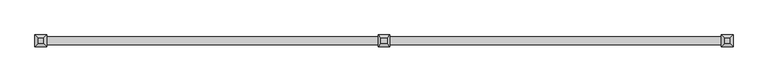
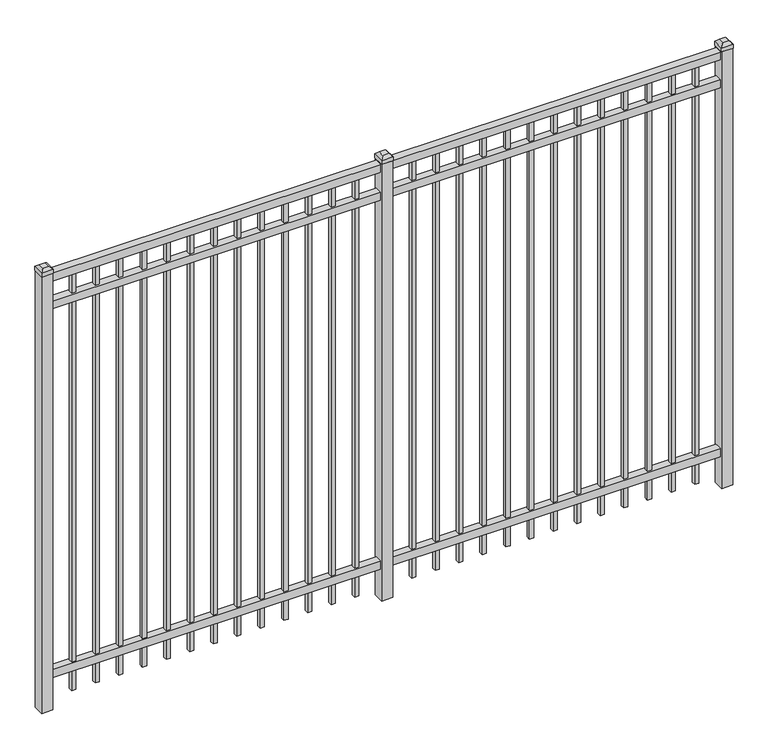
"""IFC4 building model written with IfcOpenShell, lengths in millimetres: railing geometry."""

from ifc_helpers import new_model, si_unit, frame, origin, origin_with_axes, place, context, project, spatial, polyline, outline, extrude, faceted_brep, source, transform, mapped, element, save


def railing_877c4109(model_context):
    return source(origin(), model_context, "Body", "SolidModel", [
        extrude(outline(polyline([(-61345.318087, -652.7195174), (-61345.318087, -617.7945174), (-58195.718087, -617.7945174), (-58195.718087, -652.7195174), (-61345.318087, -652.7195174)])), frame((0.0, 0.0, 2095.5), z_axis=(0.0, 0.0, 1.0), x_axis=(1.0, 0.0, 0.0)), (0.0, 0.0, 1.0), 38.1),
        extrude(outline(polyline([(-61345.318087, -652.7195174), (-61345.318087, -617.7945174), (-58195.718087, -617.7945174), (-58195.718087, -652.7195174), (-61345.318087, -652.7195174)])), frame((0.0, 0.0, 1958.975), z_axis=(0.0, 0.0, 1.0), x_axis=(1.0, 0.0, 0.0)), (0.0, 0.0, 1.0), 38.1),
        extrude(outline(polyline([(-61345.318087, -652.7195174), (-61345.318087, -617.7945174), (-58195.718087, -617.7945174), (-58195.718087, -652.7195174), (-61345.318087, -652.7195174)])), frame((0.0, 0.0, 152.4), z_axis=(0.0, 0.0, 1.0), x_axis=(1.0, 0.0, 0.0)), (0.0, 0.0, 1.0), 38.1),
        extrude(outline(polyline([(-58427.2285036, -625.7320174), (-58427.2285036, -644.7820174), (-58446.2785036, -644.7820174), (-58446.2785036, -625.7320174), (-58427.2285036, -625.7320174)])), frame((0.0, 0.0, 50.8), z_axis=(0.0, 0.0, 1.0), x_axis=(1.0, 0.0, 0.0)), (0.0, 0.0, 1.0), 2044.7),
        extrude(outline(polyline([(-58536.5014203, -625.7320174), (-58536.5014203, -644.7820174), (-58555.5514203, -644.7820174), (-58555.5514203, -625.7320174), (-58536.5014203, -625.7320174)])), frame((0.0, 0.0, 50.8), z_axis=(0.0, 0.0, 1.0), x_axis=(1.0, 0.0, 0.0)), (0.0, 0.0, 1.0), 2044.7),
        extrude(outline(polyline([(-58645.774337, -625.7320174), (-58645.774337, -644.7820174), (-58664.824337, -644.7820174), (-58664.824337, -625.7320174), (-58645.774337, -625.7320174)])), frame((0.0, 0.0, 50.8), z_axis=(0.0, 0.0, 1.0), x_axis=(1.0, 0.0, 0.0)), (0.0, 0.0, 1.0), 2044.7),
        extrude(outline(polyline([(-58755.0472536, -625.7320174), (-58755.0472536, -644.7820174), (-58774.0972536, -644.7820174), (-58774.0972536, -625.7320174), (-58755.0472536, -625.7320174)])), frame((0.0, 0.0, 50.8), z_axis=(0.0, 0.0, 1.0), x_axis=(1.0, 0.0, 0.0)), (0.0, 0.0, 1.0), 2044.7),
        extrude(outline(polyline([(-58864.3201703, -625.7320174), (-58864.3201703, -644.7820174), (-58883.3701703, -644.7820174), (-58883.3701703, -625.7320174), (-58864.3201703, -625.7320174)])), frame((0.0, 0.0, 50.8), z_axis=(0.0, 0.0, 1.0), x_axis=(1.0, 0.0, 0.0)), (0.0, 0.0, 1.0), 2044.7),
        extrude(outline(polyline([(-58973.593087, -625.7320174), (-58973.593087, -644.7820174), (-58992.643087, -644.7820174), (-58992.643087, -625.7320174), (-58973.593087, -625.7320174)])), frame((0.0, 0.0, 50.8), z_axis=(0.0, 0.0, 1.0), x_axis=(1.0, 0.0, 0.0)), (0.0, 0.0, 1.0), 2044.7),
        extrude(outline(polyline([(-59082.8660036, -625.7320174), (-59082.8660036, -644.7820174), (-59101.9160036, -644.7820174), (-59101.9160036, -625.7320174), (-59082.8660036, -625.7320174)])), frame((0.0, 0.0, 50.8), z_axis=(0.0, 0.0, 1.0), x_axis=(1.0, 0.0, 0.0)), (0.0, 0.0, 1.0), 2044.7),
        extrude(outline(polyline([(-59192.1389203, -625.7320174), (-59192.1389203, -644.7820174), (-59211.1889203, -644.7820174), (-59211.1889203, -625.7320174), (-59192.1389203, -625.7320174)])), frame((0.0, 0.0, 50.8), z_axis=(0.0, 0.0, 1.0), x_axis=(1.0, 0.0, 0.0)), (0.0, 0.0, 1.0), 2044.7),
        extrude(outline(polyline([(-59301.411837, -625.7320174), (-59301.411837, -644.7820174), (-59320.461837, -644.7820174), (-59320.461837, -625.7320174), (-59301.411837, -625.7320174)])), frame((0.0, 0.0, 50.8), z_axis=(0.0, 0.0, 1.0), x_axis=(1.0, 0.0, 0.0)), (0.0, 0.0, 1.0), 2044.7),
        extrude(outline(polyline([(-59410.6847536, -625.7320174), (-59410.6847536, -644.7820174), (-59429.7347536, -644.7820174), (-59429.7347536, -625.7320174), (-59410.6847536, -625.7320174)])), frame((0.0, 0.0, 50.8), z_axis=(0.0, 0.0, 1.0), x_axis=(1.0, 0.0, 0.0)), (0.0, 0.0, 1.0), 2044.7),
        extrude(outline(polyline([(-59519.9576703, -625.7320174), (-59519.9576703, -644.7820174), (-59539.0076703, -644.7820174), (-59539.0076703, -625.7320174), (-59519.9576703, -625.7320174)])), frame((0.0, 0.0, 50.8), z_axis=(0.0, 0.0, 1.0), x_axis=(1.0, 0.0, 0.0)), (0.0, 0.0, 1.0), 2044.7),
        extrude(outline(polyline([(-58317.955587, -625.7320174), (-58317.955587, -644.7820174), (-58337.005587, -644.7820174), (-58337.005587, -625.7320174), (-58317.955587, -625.7320174)])), frame((0.0, 0.0, 50.8), z_axis=(0.0, 0.0, 1.0), x_axis=(1.0, 0.0, 0.0)), (0.0, 0.0, 1.0), 2044.7),
        extrude(outline(polyline([(-59629.230587, -625.7320174), (-59629.230587, -644.7820174), (-59648.280587, -644.7820174), (-59648.280587, -625.7320174), (-59629.230587, -625.7320174)])), frame((0.0, 0.0, 50.8), z_axis=(0.0, 0.0, 1.0), x_axis=(1.0, 0.0, 0.0)), (0.0, 0.0, 1.0), 2044.7),
        extrude(outline(polyline([(-59745.118087, -609.8570174), (-59745.118087, -660.6570174), (-59795.918087, -660.6570174), (-59795.918087, -609.8570174), (-59745.118087, -609.8570174)])), origin_with_axes(), (0.0, 0.0, 1.0), 2139.95),
        faceted_brep([(-59797.505587, -608.2695174, 2159.0), (-59797.505587, -608.2695174, 2139.95), (-59797.505587, -662.2445174, 2139.95), (-59797.505587, -662.2445174, 2159.0), (-59784.805587, -620.9695174, 2171.7), (-59784.805587, -649.5445174, 2171.7), (-59743.530587, -662.2445174, 2139.95), (-59743.530587, -662.2445174, 2159.0), (-59756.230587, -649.5445174, 2171.7), (-59743.530587, -608.2695174, 2139.95), (-59743.530587, -608.2695174, 2159.0), (-59756.230587, -620.9695174, 2171.7)], [[[0, 1, 2, 3]], [[4, 0, 3, 5]], [[3, 2, 6, 7]], [[5, 3, 7, 8]], [[7, 6, 9, 10]], [[8, 7, 10, 11]], [[10, 9, 1, 0]], [[11, 10, 0, 4]], [[5, 8, 11, 4]], [[1, 9, 6, 2]]]),
        extrude(outline(polyline([(-60002.0285036, -625.7320174), (-60002.0285036, -644.7820174), (-60021.0785036, -644.7820174), (-60021.0785036, -625.7320174), (-60002.0285036, -625.7320174)])), frame((0.0, 0.0, 50.8), z_axis=(0.0, 0.0, 1.0), x_axis=(1.0, 0.0, 0.0)), (0.0, 0.0, 1.0), 2044.7),
        extrude(outline(polyline([(-60111.3014203, -625.7320174), (-60111.3014203, -644.7820174), (-60130.3514203, -644.7820174), (-60130.3514203, -625.7320174), (-60111.3014203, -625.7320174)])), frame((0.0, 0.0, 50.8), z_axis=(0.0, 0.0, 1.0), x_axis=(1.0, 0.0, 0.0)), (0.0, 0.0, 1.0), 2044.7),
        extrude(outline(polyline([(-60220.574337, -625.7320174), (-60220.574337, -644.7820174), (-60239.624337, -644.7820174), (-60239.624337, -625.7320174), (-60220.574337, -625.7320174)])), frame((0.0, 0.0, 50.8), z_axis=(0.0, 0.0, 1.0), x_axis=(1.0, 0.0, 0.0)), (0.0, 0.0, 1.0), 2044.7),
        extrude(outline(polyline([(-60329.8472536, -625.7320174), (-60329.8472536, -644.7820174), (-60348.8972536, -644.7820174), (-60348.8972536, -625.7320174), (-60329.8472536, -625.7320174)])), frame((0.0, 0.0, 50.8), z_axis=(0.0, 0.0, 1.0), x_axis=(1.0, 0.0, 0.0)), (0.0, 0.0, 1.0), 2044.7),
        extrude(outline(polyline([(-60439.1201703, -625.7320174), (-60439.1201703, -644.7820174), (-60458.1701703, -644.7820174), (-60458.1701703, -625.7320174), (-60439.1201703, -625.7320174)])), frame((0.0, 0.0, 50.8), z_axis=(0.0, 0.0, 1.0), x_axis=(1.0, 0.0, 0.0)), (0.0, 0.0, 1.0), 2044.7),
        extrude(outline(polyline([(-60548.393087, -625.7320174), (-60548.393087, -644.7820174), (-60567.443087, -644.7820174), (-60567.443087, -625.7320174), (-60548.393087, -625.7320174)])), frame((0.0, 0.0, 50.8), z_axis=(0.0, 0.0, 1.0), x_axis=(1.0, 0.0, 0.0)), (0.0, 0.0, 1.0), 2044.7),
        extrude(outline(polyline([(-60657.6660036, -625.7320174), (-60657.6660036, -644.7820174), (-60676.7160036, -644.7820174), (-60676.7160036, -625.7320174), (-60657.6660036, -625.7320174)])), frame((0.0, 0.0, 50.8), z_axis=(0.0, 0.0, 1.0), x_axis=(1.0, 0.0, 0.0)), (0.0, 0.0, 1.0), 2044.7),
        extrude(outline(polyline([(-60766.9389203, -625.7320174), (-60766.9389203, -644.7820174), (-60785.9889203, -644.7820174), (-60785.9889203, -625.7320174), (-60766.9389203, -625.7320174)])), frame((0.0, 0.0, 50.8), z_axis=(0.0, 0.0, 1.0), x_axis=(1.0, 0.0, 0.0)), (0.0, 0.0, 1.0), 2044.7),
        extrude(outline(polyline([(-60876.211837, -625.7320174), (-60876.211837, -644.7820174), (-60895.261837, -644.7820174), (-60895.261837, -625.7320174), (-60876.211837, -625.7320174)])), frame((0.0, 0.0, 50.8), z_axis=(0.0, 0.0, 1.0), x_axis=(1.0, 0.0, 0.0)), (0.0, 0.0, 1.0), 2044.7),
        extrude(outline(polyline([(-60985.4847536, -625.7320174), (-60985.4847536, -644.7820174), (-61004.5347536, -644.7820174), (-61004.5347536, -625.7320174), (-60985.4847536, -625.7320174)])), frame((0.0, 0.0, 50.8), z_axis=(0.0, 0.0, 1.0), x_axis=(1.0, 0.0, 0.0)), (0.0, 0.0, 1.0), 2044.7),
        extrude(outline(polyline([(-61094.7576703, -625.7320174), (-61094.7576703, -644.7820174), (-61113.8076703, -644.7820174), (-61113.8076703, -625.7320174), (-61094.7576703, -625.7320174)])), frame((0.0, 0.0, 50.8), z_axis=(0.0, 0.0, 1.0), x_axis=(1.0, 0.0, 0.0)), (0.0, 0.0, 1.0), 2044.7),
        extrude(outline(polyline([(-59892.755587, -625.7320174), (-59892.755587, -644.7820174), (-59911.805587, -644.7820174), (-59911.805587, -625.7320174), (-59892.755587, -625.7320174)])), frame((0.0, 0.0, 50.8), z_axis=(0.0, 0.0, 1.0), x_axis=(1.0, 0.0, 0.0)), (0.0, 0.0, 1.0), 2044.7),
        extrude(outline(polyline([(-61204.030587, -625.7320174), (-61204.030587, -644.7820174), (-61223.080587, -644.7820174), (-61223.080587, -625.7320174), (-61204.030587, -625.7320174)])), frame((0.0, 0.0, 50.8), z_axis=(0.0, 0.0, 1.0), x_axis=(1.0, 0.0, 0.0)), (0.0, 0.0, 1.0), 2044.7),
        extrude(outline(polyline([(-58170.318087, -609.8570174), (-58170.318087, -660.6570174), (-58221.118087, -660.6570174), (-58221.118087, -609.8570174), (-58170.318087, -609.8570174)])), origin_with_axes(), (0.0, 0.0, 1.0), 2139.95),
        faceted_brep([(-58222.705587, -608.2695174, 2159.0), (-58222.705587, -608.2695174, 2139.95), (-58222.705587, -662.2445174, 2139.95), (-58222.705587, -662.2445174, 2159.0), (-58210.005587, -620.9695174, 2171.7), (-58210.005587, -649.5445174, 2171.7), (-58168.730587, -662.2445174, 2139.95), (-58168.730587, -662.2445174, 2159.0), (-58181.430587, -649.5445174, 2171.7), (-58168.730587, -608.2695174, 2139.95), (-58168.730587, -608.2695174, 2159.0), (-58181.430587, -620.9695174, 2171.7)], [[[0, 1, 2, 3]], [[4, 0, 3, 5]], [[3, 2, 6, 7]], [[5, 3, 7, 8]], [[7, 6, 9, 10]], [[8, 7, 10, 11]], [[10, 9, 1, 0]], [[11, 10, 0, 4]], [[5, 8, 11, 4]], [[1, 9, 6, 2]]]),
        extrude(outline(polyline([(-61319.918087, -609.8570174), (-61319.918087, -660.6570174), (-61370.718087, -660.6570174), (-61370.718087, -609.8570174), (-61319.918087, -609.8570174)])), origin_with_axes(), (0.0, 0.0, 1.0), 2139.95),
        faceted_brep([(-61372.305587, -608.2695174, 2159.0), (-61372.305587, -608.2695174, 2139.95), (-61372.305587, -662.2445174, 2139.95), (-61372.305587, -662.2445174, 2159.0), (-61359.605587, -620.9695174, 2171.7), (-61359.605587, -649.5445174, 2171.7), (-61318.330587, -662.2445174, 2139.95), (-61318.330587, -662.2445174, 2159.0), (-61331.030587, -649.5445174, 2171.7), (-61318.330587, -608.2695174, 2139.95), (-61318.330587, -608.2695174, 2159.0), (-61331.030587, -620.9695174, 2171.7)], [[[0, 1, 2, 3]], [[4, 0, 3, 5]], [[3, 2, 6, 7]], [[5, 3, 7, 8]], [[7, 6, 9, 10]], [[8, 7, 10, 11]], [[10, 9, 1, 0]], [[11, 10, 0, 4]], [[5, 8, 11, 4]], [[1, 9, 6, 2]]]),
    ])


if __name__ == "__main__":
    model = new_model("IFC4")
    model_context = context("Model", 3, world=origin())
    ifc_project = project(units=[si_unit("LENGTHUNIT", "METRE", prefix="MILLI")], contexts=[model_context])
    site = spatial("IfcSite", under=ifc_project)
    building = spatial("IfcBuilding", under=site)
    placement = place(None, origin())
    railing_shape = railing_877c4109(model_context)
    element("IfcRailing", 1, at=placement, inside=building, context=model_context, shape_type="MappedRepresentation", body=[
        mapped(railing_shape, transform((0.0, 0.0, 0.0), x_axis=(1.0, 0.0, 0.0), y_axis=(0.0, 1.0, 0.0), z_axis=(0.0, 0.0, 1.0))),
    ])
    save(model, "model.ifc")
